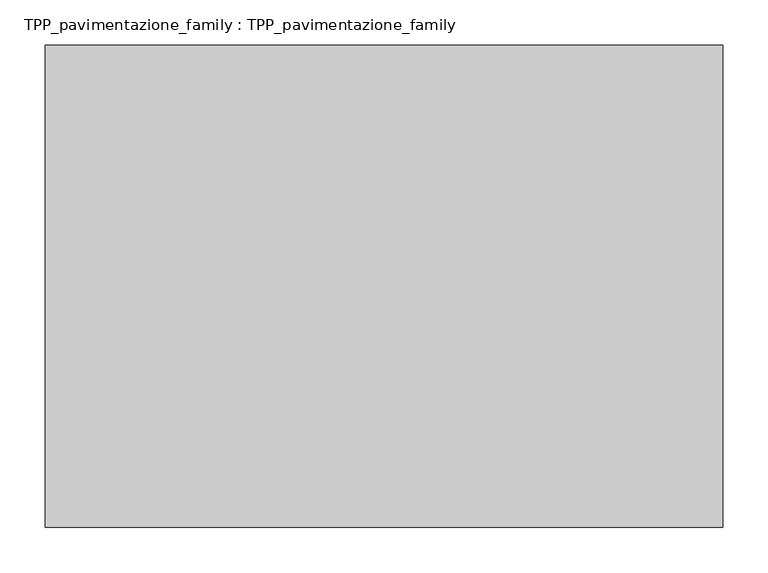
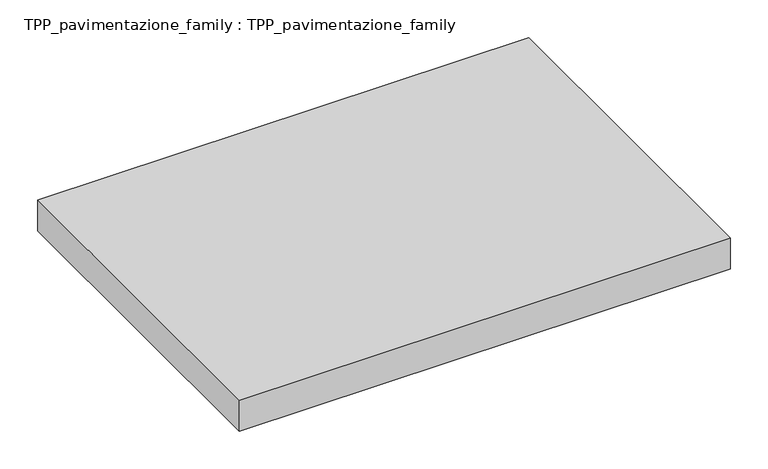
"""IFC4 building model written with IfcOpenShell, lengths in millimetres: proxy geometry, TPP_pavimentazione_family : TPP_pavimentazione_family."""

from ifc_helpers import new_model, si_unit, origin, origin_with_axes, place, context, project, spatial, polyline, outline, extrude, source, transform, mapped, element, save


def tpp_pavimentazione_family_tpp_pavimentazione_family_e33e84f7(model_context):
    return source(origin(), model_context, "Body", "SweptSolid", [
        extrude(outline(polyline([(511.8146187, 354.2201026), (511.8146187, -179.821251), (-238.6101869, -179.821251), (-238.6101869, 354.2201026), (511.8146187, 354.2201026)])), origin_with_axes(), (0.0, 0.0, 1.0), 50.0),
    ])


if __name__ == "__main__":
    model = new_model("IFC4")
    model_context = context("Model", 3, world=origin())
    ifc_project = project(units=[si_unit("LENGTHUNIT", "METRE", prefix="MILLI")], contexts=[model_context])
    site = spatial("IfcSite", under=ifc_project)
    building = spatial("IfcBuilding", under=site)
    placement = place(None, origin())
    tpp_pavimentazione_family_tpp_pavimentazione_family_shape = tpp_pavimentazione_family_tpp_pavimentazione_family_e33e84f7(model_context)
    element("IfcBuildingElementProxy", 1, Name="TPP_pavimentazione_family : TPP_pavimentazione_family", ObjectType="TPP_pavimentazione_family : TPP_pavimentazione_family", at=placement, inside=building, context=model_context, shape_type="MappedRepresentation", body=[
        mapped(tpp_pavimentazione_family_tpp_pavimentazione_family_shape, transform((0.0, 0.0, 0.0), x_axis=(1.0, 0.0, 0.0), y_axis=(0.0, 1.0, 0.0), z_axis=(0.0, 0.0, 1.0))),
    ])
    save(model, "model.ifc")
